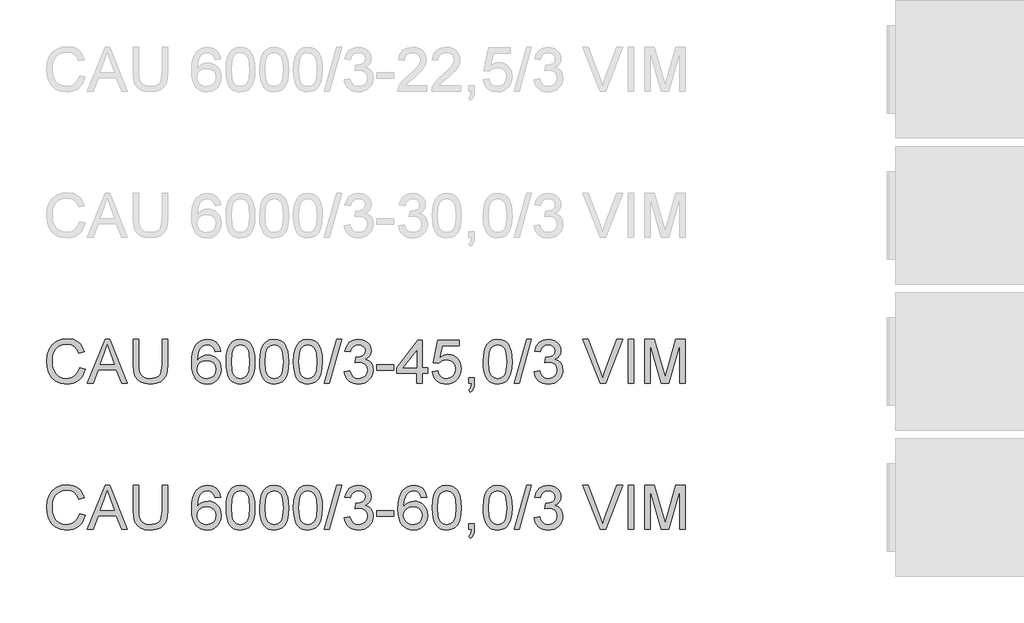
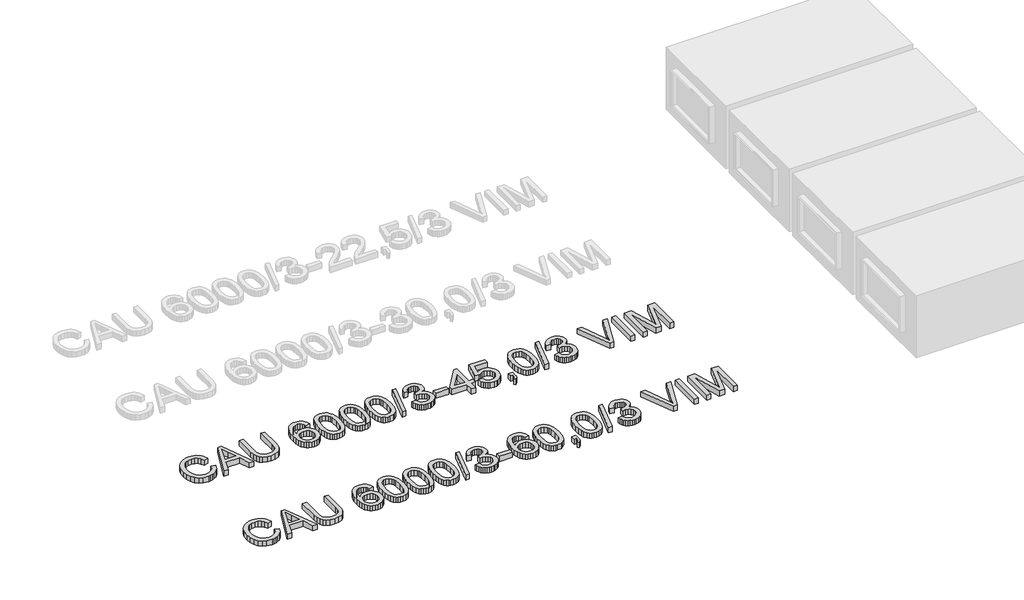
# One storey, part 59 of 74: 2 proxies.
"""IFC4 building model written with IfcOpenShell, lengths in millimetres."""

from ifc_helpers import new_model, si_unit, origin, origin_with_axes, place, context, project, spatial, polyline, outline, extrude, element, save

model = new_model("IFC4")

# Units and contexts
model_context = context("Model", 3, world=origin())
ifc_project = project(units=[si_unit("LENGTHUNIT", "METRE", prefix="MILLI")], contexts=[model_context])

# Site, building, storey
site = spatial("IfcSite", under=ifc_project)
building = spatial("IfcBuilding", under=site)
storey = spatial("IfcBuildingStorey", under=building, Elevation=0.0)

# Proxies
placement = place(None, origin())
element("IfcBuildingElementProxy", 1, Name="Generic Models", at=placement, inside=storey, context=model_context, shape_type="SweptSolid", body=[
    extrude(outline(polyline([(44539.6928381, -13799.1632103), (44577.3639544, -13808.875295), (44569.9097455, -13832.3024803), (44559.9815302, -13852.7728141), (44547.5793084, -13870.2862963), (44532.7030802, -13884.842927), (44515.688538, -13896.2863563), (44496.8713739, -13904.4602344), (44476.2515881, -13909.3645613), (44453.8291805, -13910.9993369), (44410.1339965, -13906.051324), (44375.4335273, -13891.2072855), (44348.835659, -13866.9822562), (44329.4482779, -13833.8912707), (44317.6116747, -13794.9877497), (44313.6661403, -13753.3251137), (44318.1267095, -13709.3816094), (44331.5084171, -13671.4345816), (44353.1122872, -13640.6888439), (44382.2393442, -13618.3492097), (44416.7834636, -13604.7467729), (44454.6385209, -13600.2126274), (44495.9424719, -13606.0803452), (44513.9112081, -13613.4149925), (44530.0911181, -13623.6834986), (44544.2154874, -13636.6145508), (44556.0176017, -13651.9368359), (44572.6550649, -13689.755105), (44534.9839486, -13698.7314257), (44521.9241378, -13671.2598377), (44504.081861, -13652.4150825), (44481.2363891, -13641.5165784), (44453.1669929, -13637.8837437), (44420.8117714, -13641.9120515), (44394.2322973, -13653.996975), (44374.0631669, -13672.8693214), (44360.9389767, -13697.2598977), (44353.7376866, -13724.8326532), (44351.3372566, -13753.2515373), (44354.179145, -13788.0531741), (44362.7048103, -13818.1459213), (44377.2361491, -13842.3801477), (44398.0950582, -13859.6062222), (44423.1018368, -13869.897721), (44450.0767841, -13873.3282206), (44481.5214977, -13868.6561192), (44507.7238928, -13854.6398152), (44527.5067471, -13831.4264613), (44539.6928381, -13799.1632103)])), origin_with_axes(), (0.0, 0.0, 1.0), 50.0),
    extrude(outline(polyline([(44594.065797, -13906.2904473), (44714.3632095, -13604.9215169), (44746.4425194, -13604.9215169), (44866.7399319, -13906.2904473), (44826.9351, -13906.2904473), (44792.4277688, -13812.1126566), (44668.3043837, -13812.1126566), (44633.8706289, -13906.2904473), (44594.065797, -13906.2904473)]), holes=[polyline([(44682.1367467, -13774.4415403), (44778.6689822, -13774.4415403), (44751.519291, -13700.3501064), (44730.4028644, -13642.5926332), (44711.6408827, -13693.8753833), (44682.1367467, -13774.4415403)])]), origin_with_axes(), (0.0, 0.0, 1.0), 50.0),
    extrude(outline(polyline([(45104.7595827, -13604.9215169), (45142.430699, -13604.9215169), (45142.430699, -13778.7825478), (45139.8739192, -13819.4978876), (45132.2035796, -13850.8506307), (45117.8745759, -13875.0388719), (45095.3418037, -13894.2607061), (45064.5500807, -13906.8146792), (45025.4442246, -13910.9993369), (44987.1936941, -13907.3573051), (44956.6135033, -13896.4312099), (44933.694455, -13878.5981302), (44918.4273522, -13854.235145), (44909.8465046, -13821.5580268), (44906.9862221, -13778.7825478), (44906.9862221, -13604.9215169), (44944.6573384, -13604.9215169), (44944.6573384, -13777.4581726), (44946.5151425, -13811.3125132), (44952.0885547, -13834.8845521), (44962.1869155, -13851.2093156), (44977.6195652, -13863.3218303), (44997.7427103, -13870.826623), (45021.9125574, -13873.3282206), (45060.2274672, -13868.3802077), (45074.5702665, -13862.1951917), (45085.7032954, -13853.5361692), (45094.0404211, -13841.3592752), (45099.9955109, -13824.6206444), (45104.7595827, -13777.4581726), (45104.7595827, -13604.9215169)])), origin_with_axes(), (0.0, 0.0, 1.0), 50.0),
    extrude(outline(polyline([(45505.0151935, -13684.972639), (45467.3440772, -13689.6815286), (45461.2740243, -13671.0115173), (45453.0702558, -13658.2644062), (45435.9821371, -13646.5105764), (45415.3255631, -13642.5926332), (45397.8143801, -13644.8735016), (45381.3332667, -13651.7161067), (45367.1790069, -13666.1278838), (45355.6183152, -13685.9659204), (45347.8100199, -13714.0261196), (45344.9129492, -13753.1043845), (45360.0237021, -13735.4736399), (45378.1326934, -13723.0484255), (45398.2282473, -13715.6815886), (45419.2986886, -13713.2259763), (45437.3984828, -13714.9044379), (45454.1003254, -13719.9398227), (45469.4042164, -13728.3321307), (45483.3101558, -13740.0813619), (45494.8662489, -13754.4885406), (45503.1206012, -13770.8546908), (45508.0732126, -13789.1798127), (45509.724083, -13809.4639062), (45506.6154802, -13836.4388535), (45497.2896716, -13861.4456321), (45482.5192095, -13882.6540292), (45463.076646, -13898.2338316), (45439.844898, -13907.8079606), (45413.7068823, -13910.9993369), (45391.2499857, -13908.8840154), (45370.9681915, -13902.538051), (45352.8614995, -13891.9614436), (45336.9299099, -13877.1541933), (45323.9413762, -13857.4909007), (45314.6638521, -13832.3461663), (45309.0973377, -13801.7199902), (45307.2418329, -13765.6123724), (45309.3019721, -13725.1315573), (45315.4823896, -13690.5828395), (45325.7830854, -13661.9662188), (45340.2040596, -13639.2816952), (45355.8344459, -13624.2491172), (45373.9572327, -13613.5115615), (45394.57242, -13607.069028), (45417.6800078, -13604.9215169), (45450.7342051, -13610.2374117), (45477.2033147, -13626.1850962), (45495.7445672, -13651.5137716), (45505.0151935, -13684.972639)]), holes=[polyline([(45344.9129492, -13808.875295), (45347.09265, -13825.5679405), (45353.6317525, -13841.506428), (45363.7852955, -13855.2100323), (45376.8083182, -13865.1980285), (45392.5260764, -13871.2956725), (45410.7638263, -13873.3282206), (45435.6234521, -13869.1159717), (45455.1671831, -13856.4792252), (45467.8315208, -13836.6135975), (45472.0529667, -13810.714705), (45467.8867031, -13785.8550792), (45455.3879123, -13766.8999594), (45435.5130875, -13754.8978093), (45409.2187219, -13750.8970926), (45384.3958843, -13754.8978093), (45363.6381427, -13766.8999594), (45349.5942476, -13785.3952267), (45344.9129492, -13808.875295)])]), origin_with_axes(), (0.0, 0.0, 1.0), 50.0),
    extrude(outline(polyline([(45542.6863098, -13758.0340033), (45545.4546218, -13709.7954767), (45553.7595578, -13671.324217), (45567.5183445, -13642.0316132), (45586.6482082, -13621.3290539), (45611.2871048, -13609.0234011), (45641.5729901, -13604.9215169), (45664.786344, -13607.3495381), (45685.5716767, -13614.6336016), (45702.954101, -13626.4885989), (45715.9587295, -13642.6294214), (45725.7811788, -13662.9181134), (45733.6170653, -13687.2167192), (45738.7490191, -13718.0728216), (45740.4596704, -13758.0340033), (45737.7189495, -13805.9966184), (45729.4967869, -13844.3759076), (45715.8207738, -13873.6961026), (45696.7185012, -13894.4814353), (45672.0244222, -13906.8698615), (45641.5729901, -13910.9993369), (45620.8244456, -13909.2059122), (45602.4303458, -13903.825638), (45586.3906908, -13894.8585143), (45572.7054806, -13882.3045413), (45559.5720934, -13859.6108207), (45550.1911025, -13831.3344908), (45544.562508, -13797.4755517), (45542.6863098, -13758.0340033)]), holes=[polyline([(45580.3574261, -13757.9604269), (45584.77201, -13817.2170193), (45590.29024, -13837.4850179), (45598.0157619, -13851.5128183), (45617.7342368, -13867.87437), (45641.5729901, -13873.3282206), (45665.4117434, -13867.8559759), (45685.1302183, -13851.4392419), (45692.8557402, -13837.3884489), (45698.3739702, -13817.1250488), (45702.7885541, -13757.9604269), (45698.5211229, -13700.0374067), (45693.186834, -13679.8360867), (45685.7188295, -13665.4748933), (45666.0371428, -13648.3131982), (45641.1315317, -13642.5926332), (45617.5502958, -13647.6326165), (45598.6043731, -13662.7525665), (45590.6213338, -13678.3875513), (45584.9191628, -13699.4671897), (45580.3574261, -13757.9604269)])]), origin_with_axes(), (0.0, 0.0, 1.0), 50.0),
    extrude(outline(polyline([(45773.4218972, -13758.0340033), (45776.1902092, -13709.7954767), (45784.4951452, -13671.324217), (45798.2539318, -13642.0316132), (45817.3837956, -13621.3290539), (45842.0226922, -13609.0234011), (45872.3085775, -13604.9215169), (45895.5219314, -13607.3495381), (45916.3072641, -13614.6336016), (45933.6896884, -13626.4885989), (45946.6943169, -13642.6294214), (45956.5167662, -13662.9181134), (45964.3526527, -13687.2167192), (45969.4846065, -13718.0728216), (45971.1952578, -13758.0340033), (45968.4545369, -13805.9966184), (45960.2323743, -13844.3759076), (45946.5563611, -13873.6961026), (45927.4540885, -13894.4814353), (45902.7600096, -13906.8698615), (45872.3085775, -13910.9993369), (45851.5600329, -13909.2059122), (45833.1659332, -13903.825638), (45817.1262782, -13894.8585143), (45803.441068, -13882.3045413), (45790.3076807, -13859.6108207), (45780.9266899, -13831.3344908), (45775.2980953, -13797.4755517), (45773.4218972, -13758.0340033)]), holes=[polyline([(45811.0930135, -13757.9604269), (45815.5075974, -13817.2170193), (45821.0258273, -13837.4850179), (45828.7513492, -13851.5128183), (45848.4698242, -13867.87437), (45872.3085775, -13873.3282206), (45896.1473308, -13867.8559759), (45915.8658057, -13851.4392419), (45923.5913276, -13837.3884489), (45929.1095575, -13817.1250488), (45933.5241415, -13757.9604269), (45929.2567103, -13700.0374067), (45923.9224214, -13679.8360867), (45916.4544169, -13665.4748933), (45896.7727302, -13648.3131982), (45871.8671191, -13642.5926332), (45848.2858832, -13647.6326165), (45829.3399604, -13662.7525665), (45821.3569211, -13678.3875513), (45815.6547502, -13699.4671897), (45811.0930135, -13757.9604269)])]), origin_with_axes(), (0.0, 0.0, 1.0), 50.0),
    extrude(outline(polyline([(46004.1574845, -13758.0340033), (46006.9257966, -13709.7954767), (46015.2307326, -13671.324217), (46028.9895192, -13642.0316132), (46048.119383, -13621.3290539), (46072.7582796, -13609.0234011), (46103.0441648, -13604.9215169), (46126.2575187, -13607.3495381), (46147.0428515, -13614.6336016), (46164.4252757, -13626.4885989), (46177.4299043, -13642.6294214), (46187.2523535, -13662.9181134), (46195.08824, -13687.2167192), (46200.2201939, -13718.0728216), (46201.9308451, -13758.0340033), (46199.1901243, -13805.9966184), (46190.9679617, -13844.3759076), (46177.2919485, -13873.6961026), (46158.1896759, -13894.4814353), (46133.495597, -13906.8698615), (46103.0441648, -13910.9993369), (46082.2956203, -13909.2059122), (46063.9015206, -13903.825638), (46047.8618656, -13894.8585143), (46034.1766553, -13882.3045413), (46021.0432681, -13859.6108207), (46011.6622772, -13831.3344908), (46006.0336827, -13797.4755517), (46004.1574845, -13758.0340033)]), holes=[polyline([(46041.8286008, -13757.9604269), (46046.2431848, -13817.2170193), (46051.7614147, -13837.4850179), (46059.4869366, -13851.5128183), (46079.2054116, -13867.87437), (46103.0441648, -13873.3282206), (46126.8829181, -13867.8559759), (46146.6013931, -13851.4392419), (46154.326915, -13837.3884489), (46159.8451449, -13817.1250488), (46164.2597288, -13757.9604269), (46159.9922977, -13700.0374067), (46154.6580088, -13679.8360867), (46147.1900043, -13665.4748933), (46127.5083175, -13648.3131982), (46102.6027065, -13642.5926332), (46079.0214706, -13647.6326165), (46060.0755478, -13662.7525665), (46052.0925085, -13678.3875513), (46046.3903376, -13699.4671897), (46041.8286008, -13757.9604269)])]), origin_with_axes(), (0.0, 0.0, 1.0), 50.0),
    extrude(outline(polyline([(46216.0575138, -13906.2904473), (46300.8175255, -13604.9215169), (46334.8098218, -13604.9215169), (46250.0498101, -13906.2904473), (46216.0575138, -13906.2904473)])), origin_with_axes(), (0.0, 0.0, 1.0), 50.0),
    extrude(outline(polyline([(46352.6153104, -13826.2393252), (46390.2864267, -13821.5304357), (46398.7201214, -13845.203642), (46411.0717594, -13861.1881147), (46427.9483459, -13870.2931941), (46449.9568863, -13873.3282206), (46475.7822024, -13869.1527599), (46495.7214065, -13856.626378), (46508.4685176, -13837.9379726), (46512.7175547, -13815.2764417), (46508.5053058, -13793.7645421), (46495.8685593, -13776.3177384), (46476.7386955, -13764.7570467), (46453.0470951, -13760.9034828), (46426.6331678, -13765.0237612), (46430.8270225, -13727.3526449), (46436.8602873, -13727.7941033), (46459.4298477, -13725.0901706), (46479.6081751, -13716.9783726), (46493.8452083, -13703.2563742), (46498.5908861, -13683.7218403), (46495.1511894, -13667.452259), (46484.8320994, -13654.2544924), (46469.08675, -13645.508098), (46449.3682751, -13642.5926332), (46429.613012, -13645.5356892), (46413.4629924, -13654.364857), (46401.6723744, -13669.0801369), (46394.9953162, -13689.6815286), (46357.3241999, -13684.972639), (46368.4158421, -13651.1458896), (46388.1527111, -13625.8907906), (46415.1552496, -13610.1638353), (46448.0438999, -13604.9215169), (46471.7263034, -13607.5058879), (46493.4773263, -13615.259001), (46511.8162438, -13627.4910773), (46525.2623307, -13643.5123382), (46533.5120845, -13661.9708173), (46536.2620024, -13681.5145483), (46533.6500402, -13699.724707), (46525.8141537, -13716.2426086), (46512.8647075, -13730.3140949), (46494.9120661, -13741.1850079), (46518.493302, -13750.7131516), (46535.9676968, -13766.9367476), (46546.7834274, -13788.9728791), (46550.388671, -13815.9386293), (46548.5860492, -13835.050099), (46543.1781839, -13852.6532524), (46534.165075, -13868.7480897), (46521.5467226, -13883.3346108), (46506.1738537, -13895.4379285), (46488.8971955, -13904.0831554), (46469.716748, -13909.2702915), (46448.6325111, -13910.9993369), (46429.5762238, -13909.5232104), (46412.2121936, -13905.0948309), (46396.5404206, -13897.7141983), (46382.5609048, -13887.3813128), (46370.8392647, -13874.7031795), (46361.941119, -13860.2868038), (46355.8664675, -13844.1321857), (46352.6153104, -13826.2393252)])), origin_with_axes(), (0.0, 0.0, 1.0), 50.0),
    extrude(outline(polyline([(46573.9331187, -13816.8215461), (46573.9331187, -13779.1504298), (46691.6553571, -13779.1504298), (46691.6553571, -13816.8215461), (46573.9331187, -13816.8215461)])), origin_with_axes(), (0.0, 0.0, 1.0), 50.0),
    extrude(outline(polyline([(46847.0487119, -13906.2904473), (46847.0487119, -13835.6571043), (46710.4909153, -13835.6571043), (46710.4909153, -13797.985988), (46856.466491, -13609.6304064), (46884.7198282, -13609.6304064), (46884.7198282, -13797.985988), (46922.3909445, -13797.985988), (46922.3909445, -13835.6571043), (46884.7198282, -13835.6571043), (46884.7198282, -13906.2904473), (46847.0487119, -13906.2904473)]), holes=[polyline([(46847.0487119, -13797.985988), (46847.0487119, -13681.5881247), (46756.8440467, -13797.985988), (46847.0487119, -13797.985988)])]), origin_with_axes(), (0.0, 0.0, 1.0), 50.0),
    extrude(outline(polyline([(46955.3531713, -13826.2393252), (46993.0242876, -13821.5304357), (46999.9404691, -13844.1459813), (47012.0069985, -13860.3419861), (47029.1686936, -13870.081662), (47051.370372, -13873.3282206), (47078.3729105, -13868.8124691), (47098.6064202, -13855.2652146), (47111.2431667, -13834.2499556), (47115.4554156, -13807.3301906), (47111.5098812, -13781.9831212), (47099.673278, -13762.59574), (47079.8536355, -13750.2900873), (47051.9589832, -13746.188203), (47033.6844451, -13747.8252779), (47018.8863918, -13752.7365026), (46997.7331771, -13769.7326507), (46960.0620608, -13765.0237612), (46993.0242876, -13609.6304064), (47138.9998633, -13609.6304064), (47138.9998633, -13647.3015227), (47023.4849168, -13647.3015227), (47007.3716854, -13730.2957008), (47034.2822533, -13713.9617403), (47062.4804083, -13708.5170867), (47080.8262235, -13710.2047454), (47097.6775182, -13715.2677213), (47113.0342922, -13723.7060146), (47126.8965456, -13735.5196252), (47138.3721646, -13749.9865846), (47146.5690353, -13766.3849246), (47151.4871577, -13784.714645), (47153.1265319, -13804.9757459), (47147.2220259, -13842.6468622), (47139.8413933, -13859.4406753), (47129.5085078, -13874.873325), (47113.8551289, -13890.6784552), (47095.5897878, -13901.9678339), (47074.7124846, -13908.7414611), (47051.2232192, -13910.9993369), (47014.2234876, -13905.1959984), (46998.5448168, -13897.9418253), (46984.7469427, -13887.785983), (46973.2667252, -13875.2343092), (46964.5410241, -13860.7926416), (46955.3531713, -13826.2393252)])), origin_with_axes(), (0.0, 0.0, 1.0), 50.0),
    extrude(outline(polyline([(47204.9243168, -13906.2904473), (47204.9243168, -13868.619331), (47242.5954331, -13868.619331), (47242.5954331, -13906.2904473), (47240.9031759, -13927.8391352), (47235.8264044, -13944.8076922), (47227.0708129, -13957.8215178), (47214.3420959, -13967.5060113), (47204.9243168, -13953.3793427), (47213.0912971, -13946.5551317), (47218.7566798, -13937.1189585), (47223.6862986, -13906.2904473), (47204.9243168, -13906.2904473)])), origin_with_axes(), (0.0, 0.0, 1.0), 50.0),
    extrude(outline(polyline([(47303.8109971, -13758.0340033), (47306.5793091, -13709.7954767), (47314.8842452, -13671.324217), (47328.6430318, -13642.0316132), (47347.7728955, -13621.3290539), (47372.4117922, -13609.0234011), (47402.6976774, -13604.9215169), (47425.9110313, -13607.3495381), (47446.696364, -13614.6336016), (47464.0787883, -13626.4885989), (47477.0834168, -13642.6294214), (47486.9058661, -13662.9181134), (47494.7417526, -13687.2167192), (47499.8737064, -13718.0728216), (47501.5843577, -13758.0340033), (47498.8436368, -13805.9966184), (47490.6214743, -13844.3759076), (47476.9454611, -13873.6961026), (47457.8431885, -13894.4814353), (47433.1491096, -13906.8698615), (47402.6976774, -13910.9993369), (47381.9491329, -13909.2059122), (47363.5550331, -13903.825638), (47347.5153781, -13894.8585143), (47333.8301679, -13882.3045413), (47320.6967807, -13859.6108207), (47311.3157898, -13831.3344908), (47305.6871953, -13797.4755517), (47303.8109971, -13758.0340033)]), holes=[polyline([(47341.4821134, -13757.9604269), (47345.8966974, -13817.2170193), (47351.4149273, -13837.4850179), (47359.1404492, -13851.5128183), (47378.8589241, -13867.87437), (47402.6976774, -13873.3282206), (47426.5364307, -13867.8559759), (47446.2549056, -13851.4392419), (47453.9804275, -13837.3884489), (47459.4986575, -13817.1250488), (47463.9132414, -13757.9604269), (47459.6458103, -13700.0374067), (47454.3115213, -13679.8360867), (47446.8435168, -13665.4748933), (47427.1618301, -13648.3131982), (47402.256219, -13642.5926332), (47378.6749831, -13647.6326165), (47359.7290604, -13662.7525665), (47351.7460211, -13678.3875513), (47346.0438501, -13699.4671897), (47341.4821134, -13757.9604269)])]), origin_with_axes(), (0.0, 0.0, 1.0), 50.0),
    extrude(outline(polyline([(47515.7110263, -13906.2904473), (47600.471038, -13604.9215169), (47634.4633344, -13604.9215169), (47549.7033227, -13906.2904473), (47515.7110263, -13906.2904473)])), origin_with_axes(), (0.0, 0.0, 1.0), 50.0),
    extrude(outline(polyline([(47652.2688229, -13826.2393252), (47689.9399392, -13821.5304357), (47698.373634, -13845.203642), (47710.725272, -13861.1881147), (47727.6018585, -13870.2931941), (47749.6103989, -13873.3282206), (47775.4357149, -13869.1527599), (47795.3749191, -13856.626378), (47808.1220302, -13837.9379726), (47812.3710672, -13815.2764417), (47808.1588184, -13793.7645421), (47795.5220719, -13776.3177384), (47776.3922081, -13764.7570467), (47752.7006076, -13760.9034828), (47726.2866804, -13765.0237612), (47730.4805351, -13727.3526449), (47736.5137998, -13727.7941033), (47759.0833602, -13725.0901706), (47779.2616877, -13716.9783726), (47793.4987209, -13703.2563742), (47798.2443986, -13683.7218403), (47794.804702, -13667.452259), (47784.485612, -13654.2544924), (47768.7402626, -13645.508098), (47749.0217877, -13642.5926332), (47729.2665245, -13645.5356892), (47713.1165049, -13654.364857), (47701.325887, -13669.0801369), (47694.6488288, -13689.6815286), (47656.9777125, -13684.972639), (47668.0693546, -13651.1458896), (47687.8062237, -13625.8907906), (47714.8087621, -13610.1638353), (47747.6974125, -13604.9215169), (47771.3798159, -13607.5058879), (47793.1308389, -13615.259001), (47811.4697563, -13627.4910773), (47824.9158433, -13643.5123382), (47833.165597, -13661.9708173), (47835.9155149, -13681.5145483), (47833.3035528, -13699.724707), (47825.4676663, -13716.2426086), (47812.51822, -13730.3140949), (47794.5655787, -13741.1850079), (47818.1468146, -13750.7131516), (47835.6212093, -13766.9367476), (47846.43694, -13788.9728791), (47850.0421835, -13815.9386293), (47848.2395618, -13835.050099), (47842.8316964, -13852.6532524), (47833.8185876, -13868.7480897), (47821.2002351, -13883.3346108), (47805.8273662, -13895.4379285), (47788.550708, -13904.0831554), (47769.3702605, -13909.2702915), (47748.2860237, -13910.9993369), (47729.2297363, -13909.5232104), (47711.8657062, -13905.0948309), (47696.1939332, -13897.7141983), (47682.2144173, -13887.3813128), (47670.4927773, -13874.7031795), (47661.5946315, -13860.2868038), (47655.5199801, -13844.1321857), (47652.2688229, -13826.2393252)])), origin_with_axes(), (0.0, 0.0, 1.0), 50.0),
    extrude(outline(polyline([(48103.8807602, -13906.2904473), (47983.9512298, -13604.9215169), (48024.2710965, -13604.9215169), (48104.5429478, -13822.0454704), (48120.803332, -13870.9737758), (48136.842987, -13822.0454704), (48217.3355675, -13604.9215169), (48257.6554342, -13604.9215169), (48142.8026753, -13906.2904473), (48103.8807602, -13906.2904473)])), origin_with_axes(), (0.0, 0.0, 1.0), 50.0),
    extrude(outline(polyline([(48297.3866897, -13906.2904473), (48297.3866897, -13604.9215169), (48335.057806, -13604.9215169), (48335.057806, -13906.2904473), (48297.3866897, -13906.2904473)])), origin_with_axes(), (0.0, 0.0, 1.0), 50.0),
    extrude(outline(polyline([(48410.4000386, -13906.2904473), (48410.4000386, -13604.9215169), (48475.2208461, -13604.9215169), (48536.8778685, -13817.3365809), (48549.31228, -13861.7031495), (48562.776761, -13813.657761), (48623.4037138, -13604.9215169), (48688.2245214, -13604.9215169), (48688.2245214, -13906.2904473), (48650.553405, -13906.2904473), (48650.553405, -13642.5926332), (48574.8432904, -13906.2904473), (48523.7812695, -13906.2904473), (48448.0711549, -13642.5926332), (48448.0711549, -13906.2904473), (48410.4000386, -13906.2904473)])), origin_with_axes(), (0.0, 0.0, 1.0), 50.0),
])
element("IfcBuildingElementProxy", 2, Name="Generic Models", at=placement, inside=storey, context=model_context, shape_type="SweptSolid", body=[
    extrude(outline(polyline([(44539.6928381, -14799.1632103), (44577.3639544, -14808.875295), (44569.9097455, -14832.3024803), (44559.9815302, -14852.7728141), (44547.5793084, -14870.2862963), (44532.7030802, -14884.842927), (44515.688538, -14896.2863563), (44496.8713739, -14904.4602344), (44476.2515881, -14909.3645613), (44453.8291805, -14910.9993369), (44410.1339965, -14906.051324), (44375.4335273, -14891.2072855), (44348.835659, -14866.9822562), (44329.4482779, -14833.8912707), (44317.6116747, -14794.9877497), (44313.6661403, -14753.3251137), (44318.1267095, -14709.3816094), (44331.5084171, -14671.4345816), (44353.1122872, -14640.6888439), (44382.2393442, -14618.3492097), (44416.7834636, -14604.7467729), (44454.6385209, -14600.2126274), (44495.9424719, -14606.0803452), (44513.9112081, -14613.4149925), (44530.0911181, -14623.6834986), (44544.2154874, -14636.6145508), (44556.0176017, -14651.9368359), (44572.6550649, -14689.755105), (44534.9839486, -14698.7314257), (44521.9241378, -14671.2598377), (44504.081861, -14652.4150825), (44481.2363891, -14641.5165784), (44453.1669929, -14637.8837437), (44420.8117714, -14641.9120515), (44394.2322973, -14653.996975), (44374.0631669, -14672.8693214), (44360.9389767, -14697.2598977), (44353.7376866, -14724.8326532), (44351.3372566, -14753.2515373), (44354.179145, -14788.0531741), (44362.7048103, -14818.1459213), (44377.2361491, -14842.3801477), (44398.0950582, -14859.6062222), (44423.1018368, -14869.897721), (44450.0767841, -14873.3282206), (44481.5214977, -14868.6561192), (44507.7238928, -14854.6398152), (44527.5067471, -14831.4264613), (44539.6928381, -14799.1632103)])), origin_with_axes(), (0.0, 0.0, 1.0), 50.0),
    extrude(outline(polyline([(44594.065797, -14906.2904473), (44714.3632095, -14604.9215169), (44746.4425194, -14604.9215169), (44866.7399319, -14906.2904473), (44826.9351, -14906.2904473), (44792.4277688, -14812.1126566), (44668.3043837, -14812.1126566), (44633.8706289, -14906.2904473), (44594.065797, -14906.2904473)]), holes=[polyline([(44682.1367467, -14774.4415403), (44778.6689822, -14774.4415403), (44751.519291, -14700.3501064), (44730.4028644, -14642.5926332), (44711.6408827, -14693.8753833), (44682.1367467, -14774.4415403)])]), origin_with_axes(), (0.0, 0.0, 1.0), 50.0),
    extrude(outline(polyline([(45104.7595827, -14604.9215169), (45142.430699, -14604.9215169), (45142.430699, -14778.7825478), (45139.8739192, -14819.4978876), (45132.2035796, -14850.8506307), (45117.8745759, -14875.0388719), (45095.3418037, -14894.2607061), (45064.5500807, -14906.8146792), (45025.4442246, -14910.9993369), (44987.1936941, -14907.3573051), (44956.6135033, -14896.4312099), (44933.694455, -14878.5981302), (44918.4273522, -14854.235145), (44909.8465046, -14821.5580268), (44906.9862221, -14778.7825478), (44906.9862221, -14604.9215169), (44944.6573384, -14604.9215169), (44944.6573384, -14777.4581726), (44946.5151425, -14811.3125132), (44952.0885547, -14834.8845521), (44962.1869155, -14851.2093156), (44977.6195652, -14863.3218303), (44997.7427103, -14870.826623), (45021.9125574, -14873.3282206), (45060.2274672, -14868.3802077), (45074.5702665, -14862.1951917), (45085.7032954, -14853.5361692), (45094.0404211, -14841.3592752), (45099.9955109, -14824.6206444), (45104.7595827, -14777.4581726), (45104.7595827, -14604.9215169)])), origin_with_axes(), (0.0, 0.0, 1.0), 50.0),
    extrude(outline(polyline([(45505.0151935, -14684.972639), (45467.3440772, -14689.6815286), (45461.2740243, -14671.0115173), (45453.0702558, -14658.2644062), (45435.9821371, -14646.5105764), (45415.3255631, -14642.5926332), (45397.8143801, -14644.8735016), (45381.3332667, -14651.7161067), (45367.1790069, -14666.1278838), (45355.6183152, -14685.9659204), (45347.8100199, -14714.0261196), (45344.9129492, -14753.1043845), (45360.0237021, -14735.4736399), (45378.1326934, -14723.0484255), (45398.2282473, -14715.6815886), (45419.2986886, -14713.2259763), (45437.3984828, -14714.9044379), (45454.1003254, -14719.9398227), (45469.4042164, -14728.3321307), (45483.3101558, -14740.0813619), (45494.8662489, -14754.4885406), (45503.1206012, -14770.8546908), (45508.0732126, -14789.1798127), (45509.724083, -14809.4639062), (45506.6154802, -14836.4388535), (45497.2896716, -14861.4456321), (45482.5192095, -14882.6540292), (45463.076646, -14898.2338316), (45439.844898, -14907.8079606), (45413.7068823, -14910.9993369), (45391.2499857, -14908.8840154), (45370.9681915, -14902.538051), (45352.8614995, -14891.9614436), (45336.9299099, -14877.1541933), (45323.9413762, -14857.4909007), (45314.6638521, -14832.3461663), (45309.0973377, -14801.7199902), (45307.2418329, -14765.6123724), (45309.3019721, -14725.1315573), (45315.4823896, -14690.5828395), (45325.7830854, -14661.9662188), (45340.2040596, -14639.2816952), (45355.8344459, -14624.2491172), (45373.9572327, -14613.5115615), (45394.57242, -14607.069028), (45417.6800078, -14604.9215169), (45450.7342051, -14610.2374117), (45477.2033147, -14626.1850962), (45495.7445672, -14651.5137716), (45505.0151935, -14684.972639)]), holes=[polyline([(45344.9129492, -14808.875295), (45347.09265, -14825.5679405), (45353.6317525, -14841.506428), (45363.7852955, -14855.2100323), (45376.8083182, -14865.1980285), (45392.5260764, -14871.2956725), (45410.7638263, -14873.3282206), (45435.6234521, -14869.1159717), (45455.1671831, -14856.4792252), (45467.8315208, -14836.6135975), (45472.0529667, -14810.714705), (45467.8867031, -14785.8550792), (45455.3879123, -14766.8999594), (45435.5130875, -14754.8978093), (45409.2187219, -14750.8970926), (45384.3958843, -14754.8978093), (45363.6381427, -14766.8999594), (45349.5942476, -14785.3952267), (45344.9129492, -14808.875295)])]), origin_with_axes(), (0.0, 0.0, 1.0), 50.0),
    extrude(outline(polyline([(45542.6863098, -14758.0340033), (45545.4546218, -14709.7954767), (45553.7595578, -14671.324217), (45567.5183445, -14642.0316132), (45586.6482082, -14621.3290539), (45611.2871048, -14609.0234011), (45641.5729901, -14604.9215169), (45664.786344, -14607.3495381), (45685.5716767, -14614.6336016), (45702.954101, -14626.4885989), (45715.9587295, -14642.6294214), (45725.7811788, -14662.9181134), (45733.6170653, -14687.2167192), (45738.7490191, -14718.0728216), (45740.4596704, -14758.0340033), (45737.7189495, -14805.9966184), (45729.4967869, -14844.3759076), (45715.8207738, -14873.6961026), (45696.7185012, -14894.4814353), (45672.0244222, -14906.8698615), (45641.5729901, -14910.9993369), (45620.8244456, -14909.2059122), (45602.4303458, -14903.825638), (45586.3906908, -14894.8585143), (45572.7054806, -14882.3045413), (45559.5720934, -14859.6108207), (45550.1911025, -14831.3344908), (45544.562508, -14797.4755517), (45542.6863098, -14758.0340033)]), holes=[polyline([(45580.3574261, -14757.9604269), (45584.77201, -14817.2170193), (45590.29024, -14837.4850179), (45598.0157619, -14851.5128183), (45617.7342368, -14867.87437), (45641.5729901, -14873.3282206), (45665.4117434, -14867.8559759), (45685.1302183, -14851.4392419), (45692.8557402, -14837.3884489), (45698.3739702, -14817.1250488), (45702.7885541, -14757.9604269), (45698.5211229, -14700.0374067), (45693.186834, -14679.8360867), (45685.7188295, -14665.4748933), (45666.0371428, -14648.3131982), (45641.1315317, -14642.5926332), (45617.5502958, -14647.6326165), (45598.6043731, -14662.7525665), (45590.6213338, -14678.3875513), (45584.9191628, -14699.4671897), (45580.3574261, -14757.9604269)])]), origin_with_axes(), (0.0, 0.0, 1.0), 50.0),
    extrude(outline(polyline([(45773.4218972, -14758.0340033), (45776.1902092, -14709.7954767), (45784.4951452, -14671.324217), (45798.2539318, -14642.0316132), (45817.3837956, -14621.3290539), (45842.0226922, -14609.0234011), (45872.3085775, -14604.9215169), (45895.5219314, -14607.3495381), (45916.3072641, -14614.6336016), (45933.6896884, -14626.4885989), (45946.6943169, -14642.6294214), (45956.5167662, -14662.9181134), (45964.3526527, -14687.2167192), (45969.4846065, -14718.0728216), (45971.1952578, -14758.0340033), (45968.4545369, -14805.9966184), (45960.2323743, -14844.3759076), (45946.5563611, -14873.6961026), (45927.4540885, -14894.4814353), (45902.7600096, -14906.8698615), (45872.3085775, -14910.9993369), (45851.5600329, -14909.2059122), (45833.1659332, -14903.825638), (45817.1262782, -14894.8585143), (45803.441068, -14882.3045413), (45790.3076807, -14859.6108207), (45780.9266899, -14831.3344908), (45775.2980953, -14797.4755517), (45773.4218972, -14758.0340033)]), holes=[polyline([(45811.0930135, -14757.9604269), (45815.5075974, -14817.2170193), (45821.0258273, -14837.4850179), (45828.7513492, -14851.5128183), (45848.4698242, -14867.87437), (45872.3085775, -14873.3282206), (45896.1473308, -14867.8559759), (45915.8658057, -14851.4392419), (45923.5913276, -14837.3884489), (45929.1095575, -14817.1250488), (45933.5241415, -14757.9604269), (45929.2567103, -14700.0374067), (45923.9224214, -14679.8360867), (45916.4544169, -14665.4748933), (45896.7727302, -14648.3131982), (45871.8671191, -14642.5926332), (45848.2858832, -14647.6326165), (45829.3399604, -14662.7525665), (45821.3569211, -14678.3875513), (45815.6547502, -14699.4671897), (45811.0930135, -14757.9604269)])]), origin_with_axes(), (0.0, 0.0, 1.0), 50.0),
    extrude(outline(polyline([(46004.1574845, -14758.0340033), (46006.9257966, -14709.7954767), (46015.2307326, -14671.324217), (46028.9895192, -14642.0316132), (46048.119383, -14621.3290539), (46072.7582796, -14609.0234011), (46103.0441648, -14604.9215169), (46126.2575187, -14607.3495381), (46147.0428515, -14614.6336016), (46164.4252757, -14626.4885989), (46177.4299043, -14642.6294214), (46187.2523535, -14662.9181134), (46195.08824, -14687.2167192), (46200.2201939, -14718.0728216), (46201.9308451, -14758.0340033), (46199.1901243, -14805.9966184), (46190.9679617, -14844.3759076), (46177.2919485, -14873.6961026), (46158.1896759, -14894.4814353), (46133.495597, -14906.8698615), (46103.0441648, -14910.9993369), (46082.2956203, -14909.2059122), (46063.9015206, -14903.825638), (46047.8618656, -14894.8585143), (46034.1766553, -14882.3045413), (46021.0432681, -14859.6108207), (46011.6622772, -14831.3344908), (46006.0336827, -14797.4755517), (46004.1574845, -14758.0340033)]), holes=[polyline([(46041.8286008, -14757.9604269), (46046.2431848, -14817.2170193), (46051.7614147, -14837.4850179), (46059.4869366, -14851.5128183), (46079.2054116, -14867.87437), (46103.0441648, -14873.3282206), (46126.8829181, -14867.8559759), (46146.6013931, -14851.4392419), (46154.326915, -14837.3884489), (46159.8451449, -14817.1250488), (46164.2597288, -14757.9604269), (46159.9922977, -14700.0374067), (46154.6580088, -14679.8360867), (46147.1900043, -14665.4748933), (46127.5083175, -14648.3131982), (46102.6027065, -14642.5926332), (46079.0214706, -14647.6326165), (46060.0755478, -14662.7525665), (46052.0925085, -14678.3875513), (46046.3903376, -14699.4671897), (46041.8286008, -14757.9604269)])]), origin_with_axes(), (0.0, 0.0, 1.0), 50.0),
    extrude(outline(polyline([(46216.0575138, -14906.2904473), (46300.8175255, -14604.9215169), (46334.8098218, -14604.9215169), (46250.0498101, -14906.2904473), (46216.0575138, -14906.2904473)])), origin_with_axes(), (0.0, 0.0, 1.0), 50.0),
    extrude(outline(polyline([(46352.6153104, -14826.2393252), (46390.2864267, -14821.5304357), (46398.7201214, -14845.203642), (46411.0717594, -14861.1881147), (46427.9483459, -14870.2931941), (46449.9568863, -14873.3282206), (46475.7822024, -14869.1527599), (46495.7214065, -14856.626378), (46508.4685176, -14837.9379726), (46512.7175547, -14815.2764417), (46508.5053058, -14793.7645421), (46495.8685593, -14776.3177384), (46476.7386955, -14764.7570467), (46453.0470951, -14760.9034828), (46426.6331678, -14765.0237612), (46430.8270225, -14727.3526449), (46436.8602873, -14727.7941033), (46459.4298477, -14725.0901706), (46479.6081751, -14716.9783726), (46493.8452083, -14703.2563742), (46498.5908861, -14683.7218403), (46495.1511894, -14667.452259), (46484.8320994, -14654.2544924), (46469.08675, -14645.508098), (46449.3682751, -14642.5926332), (46429.613012, -14645.5356892), (46413.4629924, -14654.364857), (46401.6723744, -14669.0801369), (46394.9953162, -14689.6815286), (46357.3241999, -14684.972639), (46368.4158421, -14651.1458896), (46388.1527111, -14625.8907906), (46415.1552496, -14610.1638353), (46448.0438999, -14604.9215169), (46471.7263034, -14607.5058879), (46493.4773263, -14615.259001), (46511.8162438, -14627.4910773), (46525.2623307, -14643.5123382), (46533.5120845, -14661.9708173), (46536.2620024, -14681.5145483), (46533.6500402, -14699.724707), (46525.8141537, -14716.2426086), (46512.8647075, -14730.3140949), (46494.9120661, -14741.1850079), (46518.493302, -14750.7131516), (46535.9676968, -14766.9367476), (46546.7834274, -14788.9728791), (46550.388671, -14815.9386293), (46548.5860492, -14835.050099), (46543.1781839, -14852.6532524), (46534.165075, -14868.7480897), (46521.5467226, -14883.3346108), (46506.1738537, -14895.4379285), (46488.8971955, -14904.0831554), (46469.716748, -14909.2702915), (46448.6325111, -14910.9993369), (46429.5762238, -14909.5232104), (46412.2121936, -14905.0948309), (46396.5404206, -14897.7141983), (46382.5609048, -14887.3813128), (46370.8392647, -14874.7031795), (46361.941119, -14860.2868038), (46355.8664675, -14844.1321857), (46352.6153104, -14826.2393252)])), origin_with_axes(), (0.0, 0.0, 1.0), 50.0),
    extrude(outline(polyline([(46573.9331187, -14816.8215461), (46573.9331187, -14779.1504298), (46691.6553571, -14779.1504298), (46691.6553571, -14816.8215461), (46573.9331187, -14816.8215461)])), origin_with_axes(), (0.0, 0.0, 1.0), 50.0),
    extrude(outline(polyline([(46917.682055, -14684.972639), (46880.0109387, -14689.6815286), (46873.9408857, -14671.0115173), (46865.7371172, -14658.2644062), (46848.6489986, -14646.5105764), (46827.9924245, -14642.5926332), (46810.4812416, -14644.8735016), (46794.0001282, -14651.7161067), (46779.8458684, -14666.1278838), (46768.2851767, -14685.9659204), (46760.4768814, -14714.0261196), (46757.5798107, -14753.1043845), (46772.6905636, -14735.4736399), (46790.7995548, -14723.0484255), (46810.8951088, -14715.6815886), (46831.9655501, -14713.2259763), (46850.0653443, -14714.9044379), (46866.7671868, -14719.9398227), (46882.0710778, -14728.3321307), (46895.9770173, -14740.0813619), (46907.5331104, -14754.4885406), (46915.7874627, -14770.8546908), (46920.7400741, -14789.1798127), (46922.3909445, -14809.4639062), (46919.2823416, -14836.4388535), (46909.9565331, -14861.4456321), (46895.186071, -14882.6540292), (46875.7435075, -14898.2338316), (46852.5117595, -14907.8079606), (46826.3737438, -14910.9993369), (46803.9168472, -14908.8840154), (46783.635053, -14902.538051), (46765.528361, -14891.9614436), (46749.5967714, -14877.1541933), (46736.6082377, -14857.4909007), (46727.3307136, -14832.3461663), (46721.7641992, -14801.7199902), (46719.9086944, -14765.6123724), (46721.9688335, -14725.1315573), (46728.1492511, -14690.5828395), (46738.4499469, -14661.9662188), (46752.8709211, -14639.2816952), (46768.5013074, -14624.2491172), (46786.6240942, -14613.5115615), (46807.2392815, -14607.069028), (46830.3468693, -14604.9215169), (46863.4010666, -14610.2374117), (46889.8701761, -14626.1850962), (46908.4114287, -14651.5137716), (46917.682055, -14684.972639)]), holes=[polyline([(46757.5798107, -14808.875295), (46759.7595115, -14825.5679405), (46766.298614, -14841.506428), (46776.452157, -14855.2100323), (46789.4751796, -14865.1980285), (46805.1929379, -14871.2956725), (46823.4306878, -14873.3282206), (46848.2903136, -14869.1159717), (46867.8340446, -14856.4792252), (46880.4983823, -14836.6135975), (46884.7198282, -14810.714705), (46880.5535646, -14785.8550792), (46868.0547738, -14766.8999594), (46848.179949, -14754.8978093), (46821.8855834, -14750.8970926), (46797.0627458, -14754.8978093), (46776.3050042, -14766.8999594), (46762.2611091, -14785.3952267), (46757.5798107, -14808.875295)])]), origin_with_axes(), (0.0, 0.0, 1.0), 50.0),
    extrude(outline(polyline([(46955.3531713, -14758.0340033), (46958.1214833, -14709.7954767), (46966.4264193, -14671.324217), (46980.1852059, -14642.0316132), (46999.3150697, -14621.3290539), (47023.9539663, -14609.0234011), (47054.2398516, -14604.9215169), (47077.4532055, -14607.3495381), (47098.2385382, -14614.6336016), (47115.6209625, -14626.4885989), (47128.625591, -14642.6294214), (47138.4480403, -14662.9181134), (47146.2839268, -14687.2167192), (47151.4158806, -14718.0728216), (47153.1265319, -14758.0340033), (47150.385811, -14805.9966184), (47142.1636484, -14844.3759076), (47128.4876353, -14873.6961026), (47109.3853627, -14894.4814353), (47084.6912837, -14906.8698615), (47054.2398516, -14910.9993369), (47033.491307, -14909.2059122), (47015.0972073, -14903.825638), (46999.0575523, -14894.8585143), (46985.3723421, -14882.3045413), (46972.2389549, -14859.6108207), (46962.857964, -14831.3344908), (46957.2293694, -14797.4755517), (46955.3531713, -14758.0340033)]), holes=[polyline([(46993.0242876, -14757.9604269), (46997.4388715, -14817.2170193), (47002.9571014, -14837.4850179), (47010.6826233, -14851.5128183), (47030.4010983, -14867.87437), (47054.2398516, -14873.3282206), (47078.0786049, -14867.8559759), (47097.7970798, -14851.4392419), (47105.5226017, -14837.3884489), (47111.0408316, -14817.1250488), (47115.4554156, -14757.9604269), (47111.1879844, -14700.0374067), (47105.8536955, -14679.8360867), (47098.385691, -14665.4748933), (47078.7040043, -14648.3131982), (47053.7983932, -14642.5926332), (47030.2171573, -14647.6326165), (47011.2712345, -14662.7525665), (47003.2881952, -14678.3875513), (46997.5860243, -14699.4671897), (46993.0242876, -14757.9604269)])]), origin_with_axes(), (0.0, 0.0, 1.0), 50.0),
    extrude(outline(polyline([(47204.9243168, -14906.2904473), (47204.9243168, -14868.619331), (47242.5954331, -14868.619331), (47242.5954331, -14906.2904473), (47240.9031759, -14927.8391352), (47235.8264044, -14944.8076922), (47227.0708129, -14957.8215178), (47214.3420959, -14967.5060113), (47204.9243168, -14953.3793427), (47213.0912971, -14946.5551317), (47218.7566798, -14937.1189585), (47223.6862986, -14906.2904473), (47204.9243168, -14906.2904473)])), origin_with_axes(), (0.0, 0.0, 1.0), 50.0),
    extrude(outline(polyline([(47303.8109971, -14758.0340033), (47306.5793091, -14709.7954767), (47314.8842452, -14671.324217), (47328.6430318, -14642.0316132), (47347.7728955, -14621.3290539), (47372.4117922, -14609.0234011), (47402.6976774, -14604.9215169), (47425.9110313, -14607.3495381), (47446.696364, -14614.6336016), (47464.0787883, -14626.4885989), (47477.0834168, -14642.6294214), (47486.9058661, -14662.9181134), (47494.7417526, -14687.2167192), (47499.8737064, -14718.0728216), (47501.5843577, -14758.0340033), (47498.8436368, -14805.9966184), (47490.6214743, -14844.3759076), (47476.9454611, -14873.6961026), (47457.8431885, -14894.4814353), (47433.1491096, -14906.8698615), (47402.6976774, -14910.9993369), (47381.9491329, -14909.2059122), (47363.5550331, -14903.825638), (47347.5153781, -14894.8585143), (47333.8301679, -14882.3045413), (47320.6967807, -14859.6108207), (47311.3157898, -14831.3344908), (47305.6871953, -14797.4755517), (47303.8109971, -14758.0340033)]), holes=[polyline([(47341.4821134, -14757.9604269), (47345.8966974, -14817.2170193), (47351.4149273, -14837.4850179), (47359.1404492, -14851.5128183), (47378.8589241, -14867.87437), (47402.6976774, -14873.3282206), (47426.5364307, -14867.8559759), (47446.2549056, -14851.4392419), (47453.9804275, -14837.3884489), (47459.4986575, -14817.1250488), (47463.9132414, -14757.9604269), (47459.6458103, -14700.0374067), (47454.3115213, -14679.8360867), (47446.8435168, -14665.4748933), (47427.1618301, -14648.3131982), (47402.256219, -14642.5926332), (47378.6749831, -14647.6326165), (47359.7290604, -14662.7525665), (47351.7460211, -14678.3875513), (47346.0438501, -14699.4671897), (47341.4821134, -14757.9604269)])]), origin_with_axes(), (0.0, 0.0, 1.0), 50.0),
    extrude(outline(polyline([(47515.7110263, -14906.2904473), (47600.471038, -14604.9215169), (47634.4633344, -14604.9215169), (47549.7033227, -14906.2904473), (47515.7110263, -14906.2904473)])), origin_with_axes(), (0.0, 0.0, 1.0), 50.0),
    extrude(outline(polyline([(47652.2688229, -14826.2393252), (47689.9399392, -14821.5304357), (47698.373634, -14845.203642), (47710.725272, -14861.1881147), (47727.6018585, -14870.2931941), (47749.6103989, -14873.3282206), (47775.4357149, -14869.1527599), (47795.3749191, -14856.626378), (47808.1220302, -14837.9379726), (47812.3710672, -14815.2764417), (47808.1588184, -14793.7645421), (47795.5220719, -14776.3177384), (47776.3922081, -14764.7570467), (47752.7006076, -14760.9034828), (47726.2866804, -14765.0237612), (47730.4805351, -14727.3526449), (47736.5137998, -14727.7941033), (47759.0833602, -14725.0901706), (47779.2616877, -14716.9783726), (47793.4987209, -14703.2563742), (47798.2443986, -14683.7218403), (47794.804702, -14667.452259), (47784.485612, -14654.2544924), (47768.7402626, -14645.508098), (47749.0217877, -14642.5926332), (47729.2665245, -14645.5356892), (47713.1165049, -14654.364857), (47701.325887, -14669.0801369), (47694.6488288, -14689.6815286), (47656.9777125, -14684.972639), (47668.0693546, -14651.1458896), (47687.8062237, -14625.8907906), (47714.8087621, -14610.1638353), (47747.6974125, -14604.9215169), (47771.3798159, -14607.5058879), (47793.1308389, -14615.259001), (47811.4697563, -14627.4910773), (47824.9158433, -14643.5123382), (47833.165597, -14661.9708173), (47835.9155149, -14681.5145483), (47833.3035528, -14699.724707), (47825.4676663, -14716.2426086), (47812.51822, -14730.3140949), (47794.5655787, -14741.1850079), (47818.1468146, -14750.7131516), (47835.6212093, -14766.9367476), (47846.43694, -14788.9728791), (47850.0421835, -14815.9386293), (47848.2395618, -14835.050099), (47842.8316964, -14852.6532524), (47833.8185876, -14868.7480897), (47821.2002351, -14883.3346108), (47805.8273662, -14895.4379285), (47788.550708, -14904.0831554), (47769.3702605, -14909.2702915), (47748.2860237, -14910.9993369), (47729.2297363, -14909.5232104), (47711.8657062, -14905.0948309), (47696.1939332, -14897.7141983), (47682.2144173, -14887.3813128), (47670.4927773, -14874.7031795), (47661.5946315, -14860.2868038), (47655.5199801, -14844.1321857), (47652.2688229, -14826.2393252)])), origin_with_axes(), (0.0, 0.0, 1.0), 50.0),
    extrude(outline(polyline([(48103.8807602, -14906.2904473), (47983.9512298, -14604.9215169), (48024.2710965, -14604.9215169), (48104.5429478, -14822.0454704), (48120.803332, -14870.9737758), (48136.842987, -14822.0454704), (48217.3355675, -14604.9215169), (48257.6554342, -14604.9215169), (48142.8026753, -14906.2904473), (48103.8807602, -14906.2904473)])), origin_with_axes(), (0.0, 0.0, 1.0), 50.0),
    extrude(outline(polyline([(48297.3866897, -14906.2904473), (48297.3866897, -14604.9215169), (48335.057806, -14604.9215169), (48335.057806, -14906.2904473), (48297.3866897, -14906.2904473)])), origin_with_axes(), (0.0, 0.0, 1.0), 50.0),
    extrude(outline(polyline([(48410.4000386, -14906.2904473), (48410.4000386, -14604.9215169), (48475.2208461, -14604.9215169), (48536.8778685, -14817.3365809), (48549.31228, -14861.7031495), (48562.776761, -14813.657761), (48623.4037138, -14604.9215169), (48688.2245214, -14604.9215169), (48688.2245214, -14906.2904473), (48650.553405, -14906.2904473), (48650.553405, -14642.5926332), (48574.8432904, -14906.2904473), (48523.7812695, -14906.2904473), (48448.0711549, -14642.5926332), (48448.0711549, -14906.2904473), (48410.4000386, -14906.2904473)])), origin_with_axes(), (0.0, 0.0, 1.0), 50.0),
])

save(model, "model.ifc")
